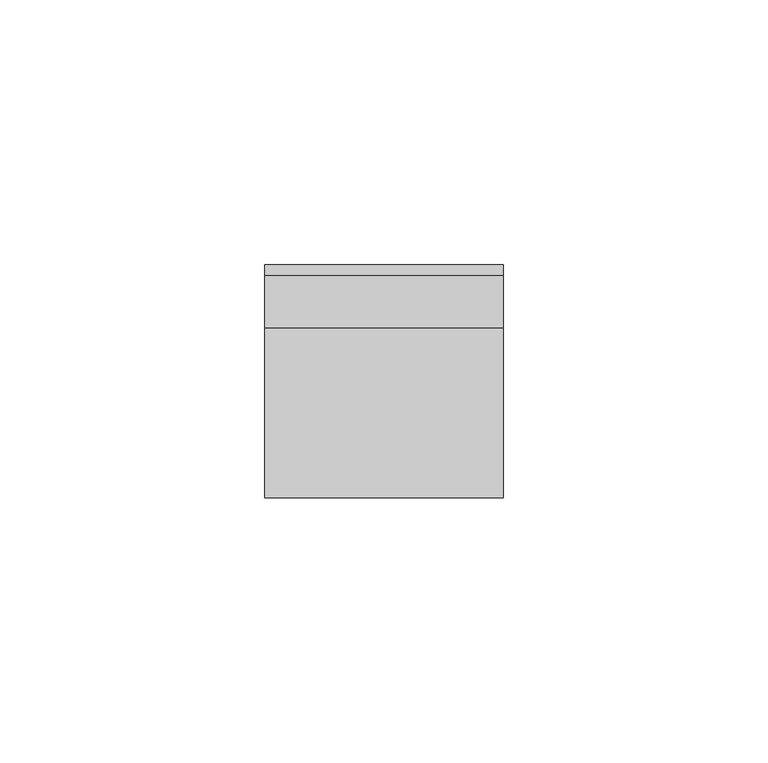
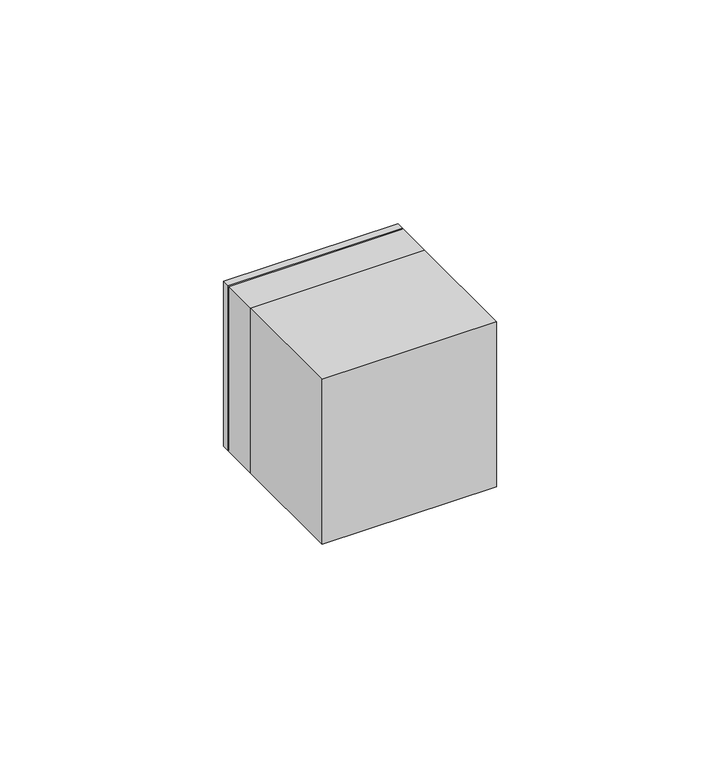
"""IFC4 building model written with IfcOpenShell, lengths in millimetres: proxy geometry."""

from ifc_helpers import new_model, si_unit, point, frame, origin, origin_2d, place, context, project, spatial, polyline, circle_curve, trimmed, segment, composite_curve, outline, extrude, source, transform, mapped, element, save
from ifc_brep_helpers import plane_surface, revolved_surface, advanced_brep


def electrical_fixtures_43a3c57b(model_context):
    return source(origin(), model_context, "Body", "SolidModel", [
        extrude(outline(polyline([(22.5, -32.0), (-22.5, -32.0), (-22.5, 0.0), (22.5, 0.0), (22.5, -32.0)])), frame((0.0, 0.0, -22.5), z_axis=(0.0, 0.0, 1.0), x_axis=(1.0, 0.0, 0.0)), (0.0, 0.0, 1.0), 45.0),
        extrude(outline(polyline([(22.5, 10.0), (-22.5, 10.0), (-22.5, 12.0), (22.5, 12.0), (22.5, 10.0)])), frame((0.0, 0.0, -22.5), z_axis=(0.0, 0.0, 1.0), x_axis=(1.0, 0.0, 0.0)), (0.0, 0.0, 1.0), 45.0),
        extrude(outline(composite_curve([segment(polyline([(-16.0, -1.5), (-17.9373911, -1.5)]), True, "CONTINUOUS"), segment(trimmed(circle_curve(origin_2d(), 18.0), [point((-17.9373911, -1.5))], [point((-17.9373911, 1.5))], False, "CARTESIAN"), True, "CONTINUOUS"), segment(polyline([(-17.9373911, 1.5), (-16.0, 1.5), (-16.0, -1.5)]), True, "CONTINUOUS")], self_intersect=False)), frame((0.0, 1.0, 0.0), z_axis=(0.0, 1.0, 0.0), x_axis=(0.0, 0.0, 1.0)), (0.0, 0.0, 1.0), 8.0),
        extrude(outline(composite_curve([segment(polyline([(16.0, -1.5), (16.0, 1.5), (17.9373911, 1.5)]), True, "CONTINUOUS"), segment(trimmed(circle_curve(origin_2d(), 18.0), [point((17.9373911, 1.5))], [point((17.9373911, -1.5))], False, "CARTESIAN"), True, "CONTINUOUS"), segment(polyline([(17.9373911, -1.5), (16.0, -1.5)]), True, "CONTINUOUS")], self_intersect=False)), frame((0.0, 1.0, 0.0), z_axis=(0.0, 1.0, 0.0), x_axis=(0.0, 0.0, 1.0)), (0.0, 0.0, 1.0), 8.0),
        extrude(outline(composite_curve([segment(polyline([(8.2462113, 16.0), (2.0, 16.0), (2.0, 17.8885438)]), True, "CONTINUOUS"), segment(trimmed(circle_curve(origin_2d(), 18.0), [point((2.0, 17.8885438))], [point((8.2462113, 16.0))], False, "CARTESIAN"), True, "CONTINUOUS")], self_intersect=False)), frame((0.0, 1.0, 0.0), z_axis=(0.0, 1.0, 0.0), x_axis=(0.0, 0.0, 1.0)), (0.0, 0.0, 1.0), 8.0),
        extrude(outline(composite_curve([segment(trimmed(circle_curve(origin_2d(), 18.0), [point((-8.2462113, 16.0))], [point((-2.0, 17.8885438))], False, "CARTESIAN"), True, "CONTINUOUS"), segment(polyline([(-2.0, 17.8885438), (-2.0, 16.0), (-8.2462113, 16.0)]), True, "CONTINUOUS")], self_intersect=False)), frame((0.0, 1.0, 0.0), z_axis=(0.0, 1.0, 0.0), x_axis=(0.0, 0.0, 1.0)), (0.0, 0.0, 1.0), 8.0),
        extrude(outline(composite_curve([segment(polyline([(-8.2462113, -16.0), (-2.0, -16.0), (-2.0, -17.8885438)]), True, "CONTINUOUS"), segment(trimmed(circle_curve(origin_2d(), 18.0), [point((-2.0, -17.8885438))], [point((-8.2462113, -16.0))], False, "CARTESIAN"), True, "CONTINUOUS")], self_intersect=False)), frame((0.0, 1.0, 0.0), z_axis=(0.0, 1.0, 0.0), x_axis=(0.0, 0.0, 1.0)), (0.0, 0.0, 1.0), 8.0),
        extrude(outline(composite_curve([segment(trimmed(circle_curve(origin_2d(), 18.0), [point((8.2462113, -16.0))], [point((2.0, -17.8885438))], False, "CARTESIAN"), True, "CONTINUOUS"), segment(polyline([(2.0, -17.8885438), (2.0, -16.0), (8.2462113, -16.0)]), True, "CONTINUOUS")], self_intersect=False)), frame((0.0, 1.0, 0.0), z_axis=(0.0, 1.0, 0.0), x_axis=(0.0, 0.0, 1.0)), (0.0, 0.0, 1.0), 8.0),
        advanced_brep(
        [(22.5, 10.0, 22.5), (22.5, 10.0, -22.5), (-22.5, 10.0, -22.5), (-22.5, 10.0, 22.5), (-18.0, 10.0, 0.0), (18.0, 10.0, 0.0), (22.5, 0.0, 22.5), (-22.5, 0.0, 22.5), (-22.5, 0.0, -22.5), (22.5, 0.0, -22.5), (-7.0, 0.0, 0.0), (-12.0, 0.0, 0.0), (12.0, 0.0, 0.0), (7.0, 0.0, 0.0), (8.9731851, 0.0, 17.8120198), (12.5935718, 0.0, 21.4324065), (21.4324065, 0.0, 12.5935718), (17.8120198, 0.0, 8.9731851), (-17.8120198, 0.0, 8.9731851), (-21.4324065, 0.0, 12.5935718), (-12.5935718, 0.0, 21.4324065), (-8.9731851, 0.0, 17.8120198), (11.5329116, 0.0, 18.9575328), (18.9575328, 0.0, 11.5329116), (20.018193, 0.0, 12.5935718), (12.5935718, 0.0, 20.018193), (-18.9575328, 0.0, 11.5329116), (-11.5329116, 0.0, 18.9575328), (-12.5935718, 0.0, 20.018193), (-20.018193, 0.0, 12.5935718), (-7.0, 1.0, 0.0), (-12.0, 1.0, 0.0), (12.0, 1.0, 0.0), (7.0, 1.0, 0.0), (-18.0, 1.0, 0.0), (18.0, 1.0, 0.0), (8.9731851, 1.0, 17.8120198), (12.5935718, 1.0, 21.4324065), (17.8120198, 1.0, 8.9731851), (21.4324065, 1.0, 12.5935718), (11.5329116, 1.0, 18.9575328), (18.9575328, 1.0, 11.5329116), (12.5935718, 1.0, 20.018193), (20.018193, 1.0, 12.5935718), (-17.8120198, 1.0, 8.9731851), (-21.4324065, 1.0, 12.5935718), (-8.9731851, 1.0, 17.8120198), (-12.5935718, 1.0, 21.4324065), (-18.9575328, 1.0, 11.5329116), (-11.5329116, 1.0, 18.9575328), (-20.018193, 1.0, 12.5935718), (-12.5935718, 1.0, 20.018193)],
        [
            (0, 1),
            (1, 2),
            (2, 3),
            (3, 0),
            (4, 5, circle_curve(frame((0.0, 10.0, 0.0), z_axis=(0.0, -1.0, 0.0), x_axis=(1.0, 0.0, 0.0)), 18.0)),
            (5, 4, circle_curve(frame((0.0, 10.0, 0.0), z_axis=(0.0, -1.0, 0.0), x_axis=(1.0, 0.0, 0.0)), 18.0)),
            (6, 7),
            (7, 8),
            (8, 9),
            (9, 6),
            (10, 11, circle_curve(frame((-9.5, 0.0, 0.0), z_axis=(0.0, 1.0, 0.0), x_axis=(1.0, 0.0, 0.0)), 2.5)),
            (11, 10, circle_curve(frame((-9.5, 0.0, 0.0), z_axis=(0.0, 1.0, 0.0), x_axis=(1.0, 0.0, 0.0)), 2.5)),
            (12, 13, circle_curve(frame((9.5, 0.0, 0.0), z_axis=(0.0, 1.0, 0.0), x_axis=(1.0, 0.0, 0.0)), 2.5)),
            (13, 12, circle_curve(frame((9.5, 0.0, 0.0), z_axis=(0.0, 1.0, 0.0), x_axis=(1.0, 0.0, 0.0)), 2.5)),
            (14, 15),
            (15, 16),
            (16, 17),
            (17, 14),
            (18, 19),
            (19, 20),
            (20, 21),
            (21, 18),
            (22, 23),
            (23, 24),
            (24, 25),
            (25, 22),
            (26, 27),
            (27, 28),
            (28, 29),
            (29, 26),
            (3, 7),
            (6, 0),
            (2, 8),
            (1, 9),
            (10, 30),
            (30, 31, circle_curve(frame((-9.5, 1.0, 0.0), z_axis=(0.0, 1.0, 0.0), x_axis=(1.0, 0.0, 0.0)), 2.5)),
            (31, 11),
            (31, 30, circle_curve(frame((-9.5, 1.0, 0.0), z_axis=(0.0, 1.0, 0.0), x_axis=(1.0, 0.0, 0.0)), 2.5)),
            (12, 32),
            (32, 33, circle_curve(frame((9.5, 1.0, 0.0), z_axis=(0.0, 1.0, 0.0), x_axis=(1.0, 0.0, 0.0)), 2.5)),
            (33, 13),
            (33, 32, circle_curve(frame((9.5, 1.0, 0.0), z_axis=(0.0, 1.0, 0.0), x_axis=(1.0, 0.0, 0.0)), 2.5)),
            (34, 35, circle_curve(frame((0.0, 1.0, 0.0), z_axis=(0.0, 1.0, 0.0), x_axis=(1.0, 0.0, 0.0)), 18.0)),
            (35, 34, circle_curve(frame((0.0, 1.0, 0.0), z_axis=(0.0, 1.0, 0.0), x_axis=(1.0, 0.0, 0.0)), 18.0)),
            (35, 5),
            (4, 34),
            (36, 37),
            (37, 15),
            (14, 36),
            (38, 36),
            (17, 38),
            (39, 38),
            (16, 39),
            (37, 39),
            (40, 41),
            (41, 23),
            (22, 40),
            (42, 40),
            (25, 42),
            (43, 42),
            (24, 43),
            (41, 43),
            (44, 45),
            (45, 19),
            (18, 44),
            (46, 44),
            (21, 46),
            (47, 46),
            (20, 47),
            (45, 47),
            (48, 49),
            (49, 27),
            (26, 48),
            (50, 48),
            (29, 50),
            (51, 50),
            (28, 51),
            (49, 51),
        ],
        [
            plane_surface(frame((-39.0, 10.0, 22.5), z_axis=(0.0, 1.0, 0.0), x_axis=(1.0, 0.0, 0.0))),
            plane_surface(frame((-39.0, 0.0, 22.5), z_axis=(0.0, -1.0, 0.0), x_axis=(-1.0, 0.0, 0.0))),
            plane_surface(frame((22.5, 0.0, 22.5), z_axis=(0.0, 0.0, 1.0), x_axis=(0.0, 1.0, 0.0))),
            plane_surface(frame((-22.5, 0.0, 22.5), z_axis=(-1.0, 0.0, 0.0), x_axis=(0.0, 1.0, 0.0))),
            plane_surface(frame((-22.5, 0.0, -22.5), z_axis=(0.0, 0.0, -1.0), x_axis=(0.0, 1.0, 0.0))),
            plane_surface(frame((22.5, 0.0, -22.5), z_axis=(1.0, 0.0, 0.0), x_axis=(0.0, 1.0, 0.0))),
            revolved_surface(polyline([(-7.0, 0.0, 0.0), (-7.0, 1.0, 0.0)]), (-9.5, 1.0, 0.0), (0.0, -1.0, 0.0)),
            revolved_surface(polyline([(12.0, 0.0, 0.0), (12.0, 1.0, 0.0)]), (9.5, 0.0, 0.0), (0.0, -1.0, 0.0)),
            plane_surface(frame((18.0, 1.0, 0.0), z_axis=(0.0, 1.0, 0.0), x_axis=(0.0, 0.0, 1.0))),
            revolved_surface(polyline([(18.0, 1.0, 0.0), (18.0, 10.0, 0.0)]), (0.0, 10.0, 0.0), (0.0, -1.0, 0.0)),
            plane_surface(frame((12.5935718, 0.0, 21.4324065), z_axis=(0.7071067811865481, 0.0, -0.7071067811865469), x_axis=(0.0, 1.0, 0.0))),
            plane_surface(frame((8.9731851, 0.0, 17.8120198), z_axis=(0.707106781186547, 0.0, 0.7071067811865481), x_axis=(0.0, 1.0, 0.0))),
            plane_surface(frame((17.8120198, 0.0, 8.9731851), z_axis=(-0.707106781186549, 0.0, 0.7071067811865461), x_axis=(0.0, 1.0, 0.0))),
            plane_surface(frame((21.4324065, 0.0, 12.5935718), z_axis=(-0.7071067811865469, 0.0, -0.7071067811865482), x_axis=(0.0, 1.0, 0.0))),
            plane_surface(frame((18.9575328, 0.0, 11.5329116), z_axis=(-0.7071067811865468, 0.0, -0.7071067811865482), x_axis=(0.0, 1.0, 0.0))),
            plane_surface(frame((11.5329116, 0.0, 18.9575328), z_axis=(-0.7071067811865503, 0.0, 0.7071067811865447), x_axis=(0.0, 1.0, 0.0))),
            plane_surface(frame((12.5935718, 0.0, 20.018193), z_axis=(0.7071067811865468, 0.0, 0.7071067811865482), x_axis=(0.0, 1.0, 0.0))),
            plane_surface(frame((20.018193, 0.0, 12.5935718), z_axis=(0.7071067811865489, 0.0, -0.7071067811865461), x_axis=(0.0, 1.0, 0.0))),
            plane_surface(frame((-21.4324065, 0.0, 12.5935718), z_axis=(0.7071067811865465, 0.0, 0.7071067811865486), x_axis=(0.0, 1.0, 0.0))),
            plane_surface(frame((-17.8120198, 0.0, 8.9731851), z_axis=(-0.7071067811865488, 0.0, 0.7071067811865464), x_axis=(0.0, 1.0, 0.0))),
            plane_surface(frame((-8.9731851, 0.0, 17.8120198), z_axis=(-0.707106781186546, 0.0, -0.7071067811865491), x_axis=(0.0, 1.0, 0.0))),
            plane_surface(frame((-12.5935718, 0.0, 21.4324065), z_axis=(0.707106781186549, 0.0, -0.7071067811865461), x_axis=(0.0, 1.0, 0.0))),
            plane_surface(frame((-11.5329116, 0.0, 18.9575328), z_axis=(0.7071067811865488, 0.0, -0.7071067811865462), x_axis=(0.0, 1.0, 0.0))),
            plane_surface(frame((-18.9575328, 0.0, 11.5329116), z_axis=(-0.7071067811865455, 0.0, -0.7071067811865497), x_axis=(0.0, 1.0, 0.0))),
            plane_surface(frame((-20.018193, 0.0, 12.5935718), z_axis=(-0.7071067811865489, 0.0, 0.7071067811865462), x_axis=(0.0, 1.0, 0.0))),
            plane_surface(frame((-12.5935718, 0.0, 20.018193), z_axis=(0.7071067811865469, 0.0, 0.7071067811865482), x_axis=(0.0, 1.0, 0.0))),
            plane_surface(frame((12.5935718, 1.0, 21.4324065), z_axis=(0.0, -1.0, 0.0), x_axis=(0.7071067811865469, 0.0, 0.7071067811865481))),
            plane_surface(frame((-21.4324065, 1.0, 12.5935718), z_axis=(0.0, -1.0, 0.0), x_axis=(-0.7071067811865486, 0.0, 0.7071067811865465))),
        ],
        [
            (0, [[1, 2, 3, 4], [5, 6]]),
            (1, [[7, 8, 9, 10], [11, 12], [13, 14], [15, 16, 17, 18], [19, 20, 21, 22]]),
            (1, [[23, 24, 25, 26]]),
            (1, [[27, 28, 29, 30]]),
            (2, [[-4, 31, -7, 32]]),
            (3, [[-3, 33, -8, -31]]),
            (4, [[-2, 34, -9, -33]]),
            (5, [[-1, -32, -10, -34]]),
            (6, [[35, 36, 37, -11]]),
            (6, [[-35, -12, -37, 38]]),
            (7, [[39, 40, 41, -13]]),
            (7, [[-39, -14, -41, 42]]),
            (8, [[43, 44], [-36, -38], [-40, -42]]),
            (9, [[-44, 45, -5, 46]]),
            (9, [[-43, -46, -6, -45]]),
            (10, [[47, 48, -15, 49]]),
            (11, [[50, -49, -18, 51]]),
            (12, [[52, -51, -17, 53]]),
            (13, [[54, -53, -16, -48]]),
            (14, [[55, 56, -23, 57]]),
            (15, [[58, -57, -26, 59]]),
            (16, [[60, -59, -25, 61]]),
            (17, [[62, -61, -24, -56]]),
            (18, [[63, 64, -19, 65]]),
            (19, [[66, -65, -22, 67]]),
            (20, [[68, -67, -21, 69]]),
            (21, [[70, -69, -20, -64]]),
            (22, [[71, 72, -27, 73]]),
            (23, [[74, -73, -30, 75]]),
            (24, [[76, -75, -29, 77]]),
            (25, [[78, -77, -28, -72]]),
            (26, [[-47, -50, -52, -54], [-55, -58, -60, -62]]),
            (27, [[-63, -66, -68, -70], [-71, -74, -76, -78]]),
        ],
    ),
    ])


if __name__ == "__main__":
    model = new_model("IFC4")
    model_context = context("Model", 3, world=origin())
    ifc_project = project(units=[si_unit("LENGTHUNIT", "METRE", prefix="MILLI")], contexts=[model_context])
    site = spatial("IfcSite", under=ifc_project)
    building = spatial("IfcBuilding", under=site)
    placement = place(None, origin())
    electrical_fixtures_shape = electrical_fixtures_43a3c57b(model_context)
    element("IfcBuildingElementProxy", 1, Name="Electrical Fixtures", at=placement, inside=building, context=model_context, shape_type="MappedRepresentation", body=[
        mapped(electrical_fixtures_shape, transform((0.0, 0.0, 0.0), x_axis=(1.0, 0.0, 0.0), y_axis=(0.0, 1.0, 0.0), z_axis=(0.0, 0.0, 1.0))),
    ])
    save(model, "model.ifc")
